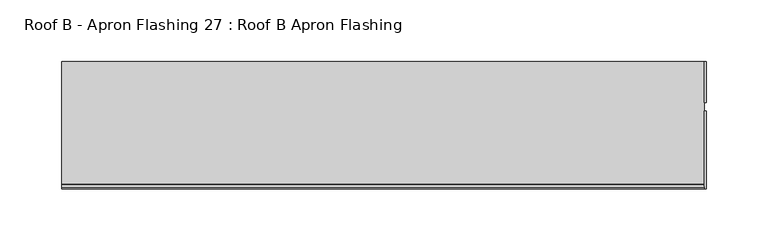
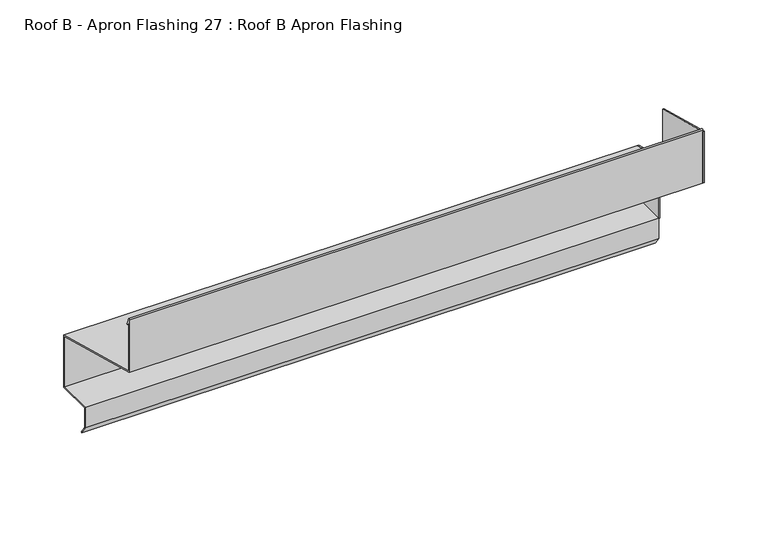
"""IFC4 building model written with IfcOpenShell, lengths in millimetres: proxy geometry, Roof B - Apron Flashing 27 : Roof B Apron Flashing."""

from ifc_helpers import new_model, si_unit, point, frame, frame_2d, origin, place, context, project, spatial, polyline, circle_curve, trimmed, segment, composite_curve, outline, extrude, source, transform, mapped, element, save


def roof_b_apron_flashing_27_roof_b_apron_flashing_a6fa3605(model_context):
    return source(origin(), model_context, "Body", "SweptSolid", [
        extrude(outline(polyline([(10660.2773132, -392.0096237), (10627.4023812, -392.0096237), (10627.4023812, -333.2008122), (10660.2773132, -342.0096237), (10660.2773132, -392.0096237)])), frame((13486.0219031, 0.0, 0.0), z_axis=(1.0, 0.0, 0.0), x_axis=(0.0, 1.0, 0.0)), (0.0, 0.0, 1.0), 1.3240587),
        extrude(outline(polyline([(10620.4882944, -283.1155152), (10620.4882944, -332.3834644), (10557.4043312, -315.4801674), (10557.4043312, -266.2122183), (10620.4882944, -283.1155152)])), frame((13486.0219031, 0.0, 0.0), z_axis=(1.0, 0.0, 0.0), x_axis=(0.0, 1.0, 0.0)), (0.0, 0.0, 1.0), 1.3240587),
        extrude(outline(composite_curve([segment(polyline([(10660.2773132, -342.0096237), (10660.2773132, -392.0096237), (10627.6739483, -392.0096237), (10627.6739483, -410.3959053), (10632.884848, -417.8378413), (10632.065696, -418.4114178), (10626.6739483, -410.7112041), (10626.6739483, -391.0096237), (10659.2773132, -391.0096237), (10659.2773132, -342.7769507), (10557.4043312, -315.4801674), (10557.4043312, -264.8977528)]), True, "CONTINUOUS"), segment(trimmed(circle_curve(frame_2d((10558.0833754, -264.8977528)), 0.6790442), [point((10557.4043312, -264.8977528))], [point((10558.7129742, -264.6433784))], False, "CARTESIAN"), True, "CONTINUOUS"), segment(polyline([(10558.7129742, -264.6433784), (10561.1274291, -270.6193639)]), True, "CONTINUOUS"), segment(trimmed(circle_curve(frame_2d((10560.6638371, -270.8066672)), 0.5), [point((10561.1274291, -270.6193639))], [point((10560.2002452, -270.9939705))], False, "CARTESIAN"), True, "CONTINUOUS"), segment(polyline([(10560.2002452, -270.9939705), (10558.4043312, -266.5489273), (10558.4043312, -314.7128405), (10660.2773132, -342.0096237)]), True, "CONTINUOUS")], self_intersect=False)), frame((12966.9913177, 0.0, 0.0), z_axis=(1.0, 0.0, 0.0), x_axis=(0.0, 1.0, 0.0)), (0.0, 0.0, 1.0), 519.0305854),
    ])


if __name__ == "__main__":
    model = new_model("IFC4")
    model_context = context("Model", 3, world=origin())
    ifc_project = project(units=[si_unit("LENGTHUNIT", "METRE", prefix="MILLI")], contexts=[model_context])
    site = spatial("IfcSite", under=ifc_project)
    building = spatial("IfcBuilding", under=site)
    placement = place(None, origin())
    roof_b_apron_flashing_27_roof_b_apron_flashing_shape = roof_b_apron_flashing_27_roof_b_apron_flashing_a6fa3605(model_context)
    element("IfcBuildingElementProxy", 1, Name="Roof B - Apron Flashing 27 : Roof B Apron Flashing", ObjectType="Roof B - Apron Flashing 27 : Roof B Apron Flashing", at=placement, inside=building, context=model_context, shape_type="MappedRepresentation", body=[
        mapped(roof_b_apron_flashing_27_roof_b_apron_flashing_shape, transform((0.0, 0.0, 0.0), x_axis=(1.0, 0.0, 0.0), y_axis=(0.0, 1.0, 0.0), z_axis=(0.0, 0.0, 1.0))),
    ])
    save(model, "model.ifc")
